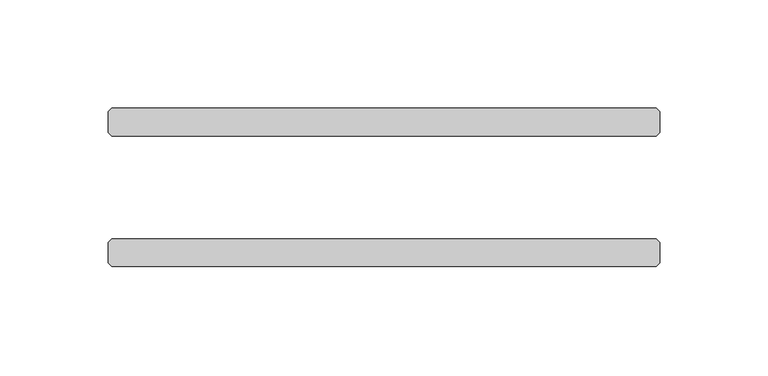
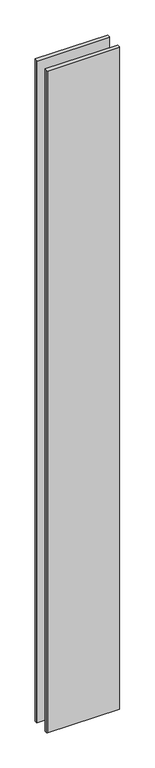
"""IFC4 building model written with IfcOpenShell, lengths in millimetres: plate geometry."""

from ifc_helpers import new_model, si_unit, origin, origin_with_axes, place, context, project, spatial, polyline, outline, extrude, source, transform, mapped, element, save


def plate_f337c20f(model_context):
    return source(origin(), model_context, "Body", "SweptSolid", [
        extrude(outline(polyline([(125.4125, 23.8125), (-125.4125, 23.8125), (-127.0, 25.4), (-127.0, 34.925), (-125.4125, 36.5125), (125.4125, 36.5125), (127.0, 34.925), (127.0, 25.4), (125.4125, 23.8125)])), origin_with_axes(), (0.0, 0.0, 1.0), 2428.7789267),
        extrude(outline(polyline([(125.4125, -36.5125), (-125.4125, -36.5125), (-127.0, -34.925), (-127.0, -25.4), (-125.4125, -23.8125), (125.4125, -23.8125), (127.0, -25.4), (127.0, -34.925), (125.4125, -36.5125)])), origin_with_axes(), (0.0, 0.0, 1.0), 2428.7789267),
    ])


if __name__ == "__main__":
    model = new_model("IFC4")
    model_context = context("Model", 3, world=origin())
    ifc_project = project(units=[si_unit("LENGTHUNIT", "METRE", prefix="MILLI")], contexts=[model_context])
    site = spatial("IfcSite", under=ifc_project)
    building = spatial("IfcBuilding", under=site)
    placement = place(None, origin())
    plate_shape = plate_f337c20f(model_context)
    element("IfcPlate", 1, at=placement, inside=building, context=model_context, shape_type="MappedRepresentation", body=[
        mapped(plate_shape, transform((0.0, 0.0, 0.0), x_axis=(1.0, 0.0, 0.0), y_axis=(0.0, 1.0, 0.0), z_axis=(0.0, 0.0, 1.0))),
    ])
    save(model, "model.ifc")
